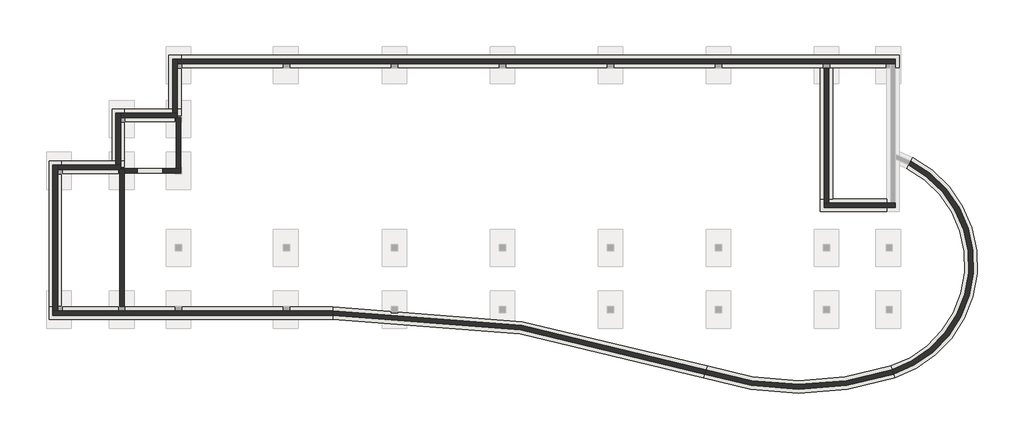
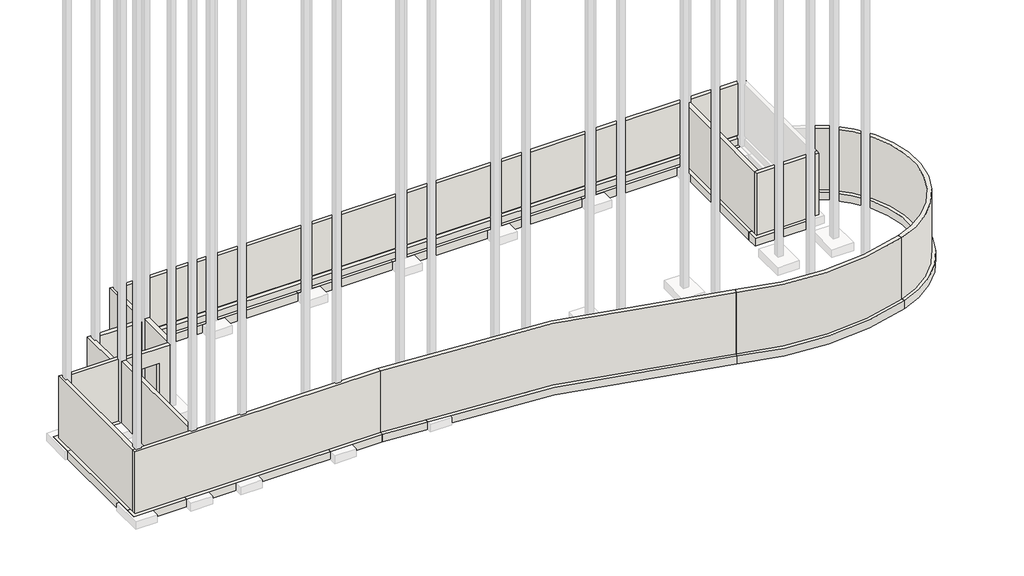
# One storey, part 1 of 2: 27 walls.
"""IFC4 building model written with IfcOpenShell, lengths in millimetres."""

from ifc_helpers import new_model, si_unit, point, frame, frame_2d, origin, place, context, project, spatial, polyline, circle_curve, trimmed, segment, composite_curve, outline, extrude, faceted_brep, element, save
from ifc_brep_helpers import plane_surface, cylinder_surface, revolved_surface, advanced_brep

model = new_model("IFC4")

# Units and contexts
model_context = context("Model", 3, world=origin())
ifc_project = project(units=[si_unit("LENGTHUNIT", "METRE", prefix="MILLI")], contexts=[model_context])

# Site, building, storey
site = spatial("IfcSite", under=ifc_project)
building = spatial("IfcBuilding", under=site)
storey = spatial("IfcBuildingStorey", under=building, Elevation=-3600.0)

# Walls
placement = place(None, origin())
element("IfcWall", 1, ObjectType="Foundation - 600mm Concrete", at=placement, inside=storey, context=model_context, shape_type="SweptSolid", body=[
    extrude(outline(composite_curve([segment(polyline([(17869.7687161, -6013.1846096), (17683.7577718, -5442.7458938)]), True, "CONTINUOUS"), segment(trimmed(circle_curve(frame_2d((16074.0395802, -487.5293406)), 5210.1212794), [point((17683.7577718, -5442.7458938))], [point((18465.7812889, 4141.1783997))], True, "CARTESIAN"), True, "CONTINUOUS"), segment(polyline([(18465.7812889, 4141.1783997), (18741.2153811, 4674.222545)]), True, "CONTINUOUS"), segment(trimmed(circle_curve(frame_2d((16074.0395802, -487.5293406)), 5810.1212794), [point((18741.2153811, 4674.222545))], [point((17869.7687161, -6013.1846096))], False, "CARTESIAN"), True, "CONTINUOUS")], self_intersect=False)), frame((0.0, 0.0, -4050.0), z_axis=(0.0, 0.0, 1.0), x_axis=(1.0, 0.0, 0.0)), (0.0, 0.0, 1.0), 450.0),
])
element("IfcWall", 2, ObjectType="Foundation - 600mm Concrete", at=placement, inside=storey, context=model_context, shape_type="SweptSolid", body=[
    extrude(outline(composite_curve([segment(polyline([(8601.367366, -6013.0871543), (8787.9790274, -5442.8450235)]), True, "CONTINUOUS"), segment(trimmed(circle_curve(frame_2d((13235.7169466, 8148.4146527)), 14300.5144027), [point((8787.9790274, -5442.8450235))], [point((17683.7577718, -5442.7458938))], True, "CARTESIAN"), True, "CONTINUOUS"), segment(polyline([(17683.7577718, -5442.7458938), (17869.7687161, -6013.1846096)]), True, "CONTINUOUS"), segment(trimmed(circle_curve(frame_2d((13235.7169466, 8148.4146527)), 14900.5144027), [point((17869.7687161, -6013.1846096))], [point((8601.367366, -6013.0871543))], False, "CARTESIAN"), True, "CONTINUOUS")], self_intersect=False)), frame((0.0, 0.0, -4050.0), z_axis=(0.0, 0.0, 1.0), x_axis=(1.0, 0.0, 0.0)), (0.0, 0.0, 1.0), 450.0),
])
element("IfcWall", 3, ObjectType="Foundation - 600mm Concrete", at=placement, inside=storey, context=model_context, shape_type="SweptSolid", body=[
    extrude(outline(composite_curve([segment(polyline([(-9356.7482974, -3179.7925922), (-9357.3682514, -2579.7925922)]), True, "CONTINUOUS"), segment(trimmed(circle_curve(frame_2d((-9237.4655397, -60751.8621473)), 58172.193125), [point((-9357.3682514, -2579.7925922))], [point((8787.630476, -5442.7311958))], False, "CARTESIAN"), True, "CONTINUOUS"), segment(polyline([(8787.630476, -5442.7311958), (8601.7159173, -6013.200982)]), True, "CONTINUOUS"), segment(trimmed(circle_curve(frame_2d((-9237.4655397, -60751.8621473)), 57572.193125), [point((8601.7159173, -6013.200982))], [point((-9356.7482974, -3179.7925922))], True, "CARTESIAN"), True, "CONTINUOUS")], self_intersect=False)), frame((0.0, 0.0, -4050.0), z_axis=(0.0, 0.0, 1.0), x_axis=(1.0, 0.0, 0.0)), (0.0, 0.0, 1.0), 450.0),
])
element("IfcWall", 4, ObjectType="Foundation - 600mm Concrete", at=placement, inside=storey, context=model_context, shape_type="Brep", body=[
    faceted_brep([(-9357.3682514, -2579.7925922, -4050.0), (-22494.6169643, -2579.7925922, -4050.0), (-23094.6169643, -2579.7925922, -4050.0), (-23094.6169643, -2579.7925922, -3600.0), (-22494.6169643, -2579.7925922, -3600.0), (-9357.3682514, -2579.7925922, -3600.0), (-9356.7482974, -3179.7925922, -4050.0), (-9356.7482974, -3179.7925922, -3600.0), (-23094.6169643, -3179.7925922, -3600.0), (-23094.6169643, -3179.7925922, -4050.0)], [[[0, 1, 2, 3, 4, 5]], [[6, 7, 8, 9]], [[2, 1, 0, 6, 9]], [[5, 4, 3, 8, 7]], [[3, 2, 9, 8]], [[0, 5, 7, 6]]]),
])
element("IfcWall", 5, ObjectType="Foundation - 600mm Concrete", at=placement, inside=storey, context=model_context, shape_type="Brep", body=[
    faceted_brep([(-22494.6169643, -2579.7925922, -4050.0), (-22494.6169643, 3903.6324078, -4050.0), (-22494.6169643, 4503.6324078, -4050.0), (-22494.6169643, 4503.6324078, -3600.0), (-22494.6169643, 3903.6324078, -3600.0), (-22494.6169643, -2579.7925922, -3600.0), (-23094.6169643, -2579.7925922, -4050.0), (-23094.6169643, -2579.7925922, -3600.0), (-23094.6169643, 4503.6324078, -3600.0), (-23094.6169643, 4503.6324078, -4050.0)], [[[0, 1, 2, 3, 4, 5]], [[6, 7, 8, 9]], [[2, 1, 0, 6, 9]], [[5, 4, 3, 8, 7]], [[3, 2, 9, 8]], [[0, 5, 7, 6]]]),
])
element("IfcWall", 6, ObjectType="Foundation - 600mm Concrete", at=placement, inside=storey, context=model_context, shape_type="Brep", body=[
    faceted_brep([(-22494.6169643, 3903.6324078, -4050.0), (-19446.6169643, 3903.6324078, -4050.0), (-19446.6169643, 3903.6324078, -3600.0), (-22494.6169643, 3903.6324078, -3600.0), (-22494.6169643, 4503.6324078, -4050.0), (-22494.6169643, 4503.6324078, -3600.0), (-20046.6169643, 4503.6324078, -3600.0), (-19446.6169643, 4503.6324078, -3600.0), (-19446.6169643, 4503.6324078, -4050.0), (-20046.6169643, 4503.6324078, -4050.0)], [[[0, 1, 2, 3]], [[4, 5, 6, 7, 8, 9]], [[1, 0, 4, 9, 8]], [[3, 2, 7, 6, 5]], [[2, 1, 8, 7]], [[0, 3, 5, 4]]]),
])
element("IfcWall", 7, ObjectType="Foundation - 600mm Concrete", at=placement, inside=storey, context=model_context, shape_type="Brep", body=[
    faceted_brep([(-19446.6169643, 4503.6324078, -4050.0), (-19446.6169643, 6418.2324078, -4050.0), (-19446.6169643, 7018.2324078, -4050.0), (-19446.6169643, 7018.2324078, -3600.0), (-19446.6169643, 6418.2324078, -3600.0), (-19446.6169643, 4503.6324078, -3600.0), (-20046.6169643, 4503.6324078, -4050.0), (-20046.6169643, 4503.6324078, -3600.0), (-20046.6169643, 7018.2324078, -3600.0), (-20046.6169643, 7018.2324078, -4050.0)], [[[0, 1, 2, 3, 4, 5]], [[6, 7, 8, 9]], [[2, 1, 0, 6, 9]], [[5, 4, 3, 8, 7]], [[3, 2, 9, 8]], [[0, 5, 7, 6]]]),
])
element("IfcWall", 8, ObjectType="Foundation - 600mm Concrete", at=placement, inside=storey, context=model_context, shape_type="Brep", body=[
    faceted_brep([(-19446.6169643, 6418.2324078, -4050.0), (-16703.4169643, 6418.2324078, -4050.0), (-16703.4169643, 6418.2324078, -3600.0), (-19446.6169643, 6418.2324078, -3600.0), (-19446.6169643, 7018.2324078, -4050.0), (-19446.6169643, 7018.2324078, -3600.0), (-17303.4169643, 7018.2324078, -3600.0), (-16703.4169643, 7018.2324078, -3600.0), (-16703.4169643, 7018.2324078, -4050.0), (-17303.4169643, 7018.2324078, -4050.0)], [[[0, 1, 2, 3]], [[4, 5, 6, 7, 8, 9]], [[1, 0, 4, 9, 8]], [[3, 2, 7, 6, 5]], [[2, 1, 8, 7]], [[0, 3, 5, 4]]]),
])
element("IfcWall", 9, ObjectType="Foundation - 600mm Concrete", at=placement, inside=storey, context=model_context, shape_type="Brep", body=[
    faceted_brep([(-16703.4169643, 7018.2324078, -4050.0), (-16703.4169643, 9034.4324078, -4050.0), (-16703.4169643, 9634.4324078, -4050.0), (-16703.4169643, 9634.4324078, -3600.0), (-16703.4169643, 9034.4324078, -3600.0), (-16703.4169643, 7018.2324078, -3600.0), (-17303.4169643, 7018.2324078, -4050.0), (-17303.4169643, 7018.2324078, -3600.0), (-17303.4169643, 9634.4324078, -3600.0), (-17303.4169643, 9634.4324078, -4050.0)], [[[0, 1, 2, 3, 4, 5]], [[6, 7, 8, 9]], [[2, 1, 0, 6, 9]], [[5, 4, 3, 8, 7]], [[3, 2, 9, 8]], [[0, 5, 7, 6]]]),
])
element("IfcWall", 10, ObjectType="Foundation - 600mm Concrete", at=placement, inside=storey, context=model_context, shape_type="Brep", body=[
    faceted_brep([(-16703.4169643, 9034.4324078, -4050.0), (17489.4606966, 9034.4324078, -4050.0), (18089.4606966, 9034.4324078, -4050.0), (18089.4606966, 9034.4324078, -3600.0), (17489.4606966, 9034.4324078, -3600.0), (-16703.4169643, 9034.4324078, -3600.0), (-16703.4169643, 9634.4324078, -4050.0), (-16703.4169643, 9634.4324078, -3600.0), (18089.4606966, 9634.4324078, -3600.0), (18089.4606966, 9634.4324078, -4050.0)], [[[0, 1, 2, 3, 4, 5]], [[6, 7, 8, 9]], [[2, 1, 0, 6, 9]], [[5, 4, 3, 8, 7]], [[3, 2, 9, 8]], [[0, 5, 7, 6]]]),
])
element("IfcWall", 11, ObjectType="Foundation - 600mm Concrete", at=placement, inside=storey, context=model_context, shape_type="Brep", body=[
    faceted_brep([(17489.4606966, 2662.1324078, -4050.0), (14867.1955357, 2662.1324078, -4050.0), (14267.1955357, 2662.1324078, -4050.0), (14267.1955357, 2662.1324078, -3600.0), (14867.1955357, 2662.1324078, -3600.0), (17489.4606966, 2662.1324078, -3600.0), (17489.4606966, 2062.1324078, -4050.0), (17489.4606966, 2062.1324078, -3600.0), (14267.1955357, 2062.1324078, -3600.0), (14267.1955357, 2062.1324078, -4050.0)], [[[0, 1, 2, 3, 4, 5]], [[6, 7, 8, 9]], [[2, 1, 0, 6, 9]], [[5, 4, 3, 8, 7]], [[3, 2, 9, 8]], [[0, 5, 7, 6]]]),
])
element("IfcWall", 12, ObjectType="Foundation - 600mm Concrete", at=placement, inside=storey, context=model_context, shape_type="SweptSolid", body=[
    extrude(outline(polyline([(14867.1955357, 9008.2199078), (14867.1955357, 2662.1324078), (14267.1955357, 2662.1324078), (14267.1955357, 9008.2199078), (14867.1955357, 9008.2199078)])), frame((0.0, 0.0, -4050.0), z_axis=(0.0, 0.0, 1.0), x_axis=(1.0, 0.0, 0.0)), (0.0, 0.0, 1.0), 450.0),
])
element("IfcWall", 13, ObjectType="Generic - 225mm Masonry", at=placement, inside=storey, context=model_context, shape_type="Brep", body=[
    faceted_brep([(-19457.9044643, -2553.5800922, -3600.0), (-19457.9044643, 3914.9199078, -3600.0), (-19457.9044643, 4091.1324078, -3600.0), (-19457.9044643, 4091.1324078, -300.0), (-19457.9044643, 4091.1324078, 0.0), (-19457.9044643, 3914.9199078, 0.0), (-19457.9044643, -2553.5800922, 0.0), (-19457.9044643, -2553.5800922, -2994.0), (-19457.9044643, 156.7351251, -2994.0), (-19457.9044643, 156.7351251, -3000.0), (-19457.9044643, -2553.5800922, -3000.0), (-19682.9044643, 4091.1324078, -3600.0), (-19682.9044643, -2553.5800922, -3600.0), (-19682.9044643, -2553.5800922, -3000.0), (-19682.9044643, 156.7351251, -3000.0), (-19682.9044643, 156.7351251, -2994.0), (-19682.9044643, -2553.5800922, -2994.0), (-19682.9044643, -2553.5800922, 0.0), (-19682.9044643, 4091.1324078, 0.0), (-19634.1169643, 4091.1324078, -3600.0)], [[[0, 1, 2, 3, 4, 5, 6, 7, 8, 9, 10]], [[11, 12, 13, 14, 15, 16, 17, 18]], [[2, 1, 0, 12, 11, 19]], [[6, 5, 4, 18, 17]], [[6, 17, 16, 7]], [[12, 0, 10, 13]], [[4, 3, 2, 19, 11, 18]], [[9, 14, 13, 10]], [[15, 8, 7, 16]], [[14, 9, 8, 15]]]),
])
element("IfcWall", 14, ObjectType="Generic - 225mm Masonry", at=placement, inside=storey, context=model_context, shape_type="Brep", body=[
    faceted_brep([(-19457.9044643, 3914.9199078, -3600.0), (-16714.7044643, 3914.9199078, -3600.0), (-16714.7044643, 3914.9199078, 0.0), (-19457.9044643, 3914.9199078, 0.0), (-19457.9044643, 3914.9199078, -300.0), (-17582.4544643, 3914.9199078, -3000.0), (-18815.1544643, 3914.9199078, -3000.0), (-18815.1544643, 3914.9199078, -874.6), (-17582.4544643, 3914.9199078, -874.6), (-19634.1169643, 4139.9199078, -3600.0), (-19634.1169643, 4139.9199078, -300.0), (-19457.9044643, 4139.9199078, -300.0), (-19457.9044643, 4139.9199078, 0.0), (-16939.7044643, 4139.9199078, 0.0), (-16714.7044643, 4139.9199078, 0.0), (-16714.7044643, 4139.9199078, -3600.0), (-16939.7044643, 4139.9199078, -3600.0), (-17582.4544643, 4139.9199078, -3000.0), (-17582.4544643, 4139.9199078, -874.6), (-18815.1544643, 4139.9199078, -874.6), (-18815.1544643, 4139.9199078, -3000.0), (-19457.9044643, 4091.1324078, -3600.0), (-19634.1169643, 4091.1324078, -3600.0), (-19457.9044643, 4091.1324078, 0.0), (-19457.9044643, 4091.1324078, -300.0), (-19634.1169643, 4091.1324078, -300.0)], [[[0, 1, 2, 3, 4], [5, 6, 7, 8]], [[9, 10, 11, 12, 13, 14, 15, 16], [17, 18, 19, 20]], [[1, 0, 21, 22, 9, 16, 15]], [[3, 2, 14, 13, 12, 23]], [[2, 1, 15, 14]], [[18, 17, 5, 8]], [[19, 18, 8, 7]], [[20, 19, 7, 6]], [[17, 20, 6, 5]], [[24, 11, 10, 25]], [[0, 4, 24, 21]], [[24, 25, 22, 21]], [[25, 10, 9, 22]], [[4, 3, 23, 12, 11, 24]]]),
])
element("IfcWall", 15, ObjectType="Generic - 225mm Masonry", at=placement, inside=storey, context=model_context, shape_type="Brep", body=[
    faceted_brep([(-16714.7044643, 4139.9199078, -3600.0), (-16714.7044643, 6605.7324078, -3600.0), (-16714.7044643, 6605.7324078, -300.0), (-16714.7044643, 6718.2324078, -300.0), (-16714.7044643, 6718.2324078, 0.0), (-16714.7044643, 4139.9199078, 0.0), (-16939.7044643, 4139.9199078, -3600.0), (-16939.7044643, 4139.9199078, 0.0), (-16939.7044643, 6718.2324078, 0.0), (-16939.7044643, 6718.2324078, -300.0), (-16939.7044643, 6605.7324078, -300.0), (-16939.7044643, 6605.7324078, -3600.0), (-16890.9169643, 6605.7324078, -3600.0), (-16890.9169643, 6718.2324078, 0.0), (-16890.9169643, 6718.2324078, -300.0), (-16890.9169643, 6605.7324078, -300.0)], [[[0, 1, 2, 3, 4, 5]], [[6, 7, 8, 9, 10, 11]], [[1, 0, 6, 11, 12]], [[5, 4, 13, 8, 7]], [[0, 5, 7, 6]], [[4, 3, 14, 9, 8, 13]], [[9, 14, 3, 2, 15, 10]], [[2, 1, 12, 11, 10, 15]]]),
])
element("IfcWall", 16, ObjectType="Generic - 225mm Masonry", at=placement, inside=storey, context=model_context, shape_type="Brep", body=[
    faceted_brep([(14454.6955357, 2249.6324078, -3600.0), (17901.9606966, 2249.6324078, -3600.0), (17901.9606966, 2249.6324078, 0.0), (14454.6955357, 2249.6324078, 0.0), (14454.6955357, 2474.6324078, -3600.0), (14454.6955357, 2474.6324078, 0.0), (14679.6955357, 2474.6324078, 0.0), (17676.9606966, 2474.6324078, 0.0), (17901.9606966, 2474.6324078, 0.0), (17901.9606966, 2474.6324078, -2994.0), (17901.9606966, 2474.6324078, -3225.0), (17901.9606966, 2474.6324078, -3600.0), (17676.9606966, 2474.6324078, -3600.0), (14679.6955357, 2474.6324078, -3600.0)], [[[0, 1, 2, 3]], [[4, 5, 6, 7, 8, 9, 10, 11, 12, 13]], [[1, 0, 4, 13, 12, 11]], [[3, 2, 8, 7, 6, 5]], [[0, 3, 5, 4]], [[2, 1, 11, 10, 9, 8]]]),
])
element("IfcWall", 17, ObjectType="Generic - 225mm Masonry", at=placement, inside=storey, context=model_context, shape_type="Brep", body=[
    faceted_brep([(14454.6955357, 9008.2199078, -3600.0), (14454.6955357, 2474.6324078, -3600.0), (14454.6955357, 2474.6324078, 0.0), (14454.6955357, 9008.2199078, 0.0), (14679.6955357, 2474.6324078, -3600.0), (14679.6955357, 9008.2199078, -3600.0), (14679.6955357, 9008.2199078, -3000.0), (14679.6955357, 9008.2199078, -2994.0), (14679.6955357, 9008.2199078, 0.0), (14679.6955357, 2474.6324078, 0.0), (14679.6955357, 2474.6324078, -2994.0), (14679.6955357, 2474.6324078, -3000.0)], [[[0, 1, 2, 3]], [[4, 5, 6, 7, 8, 9, 10, 11]], [[1, 0, 5, 4]], [[3, 2, 9, 8]], [[0, 3, 8, 7, 6, 5]], [[2, 1, 4, 11, 10, 9]]]),
])
element("IfcWall", 18, ObjectType="Generic - 225mm Masonry", at=placement, inside=storey, context=model_context, shape_type="Brep", body=[
    faceted_brep([(-9357.1748607, -2767.2925922, -3600.0), (-22682.1169643, -2767.2925922, -3600.0), (-22907.1169643, -2767.2925922, -3600.0), (-22907.1169643, -2767.2925922, 0.0), (-22682.1169643, -2767.2925922, 0.0), (-9357.1748607, -2767.2925922, 0.0), (-9357.1748607, -2767.2925922, -2994.0), (-9357.1748607, -2767.2925922, -3000.0), (-9357.1748607, -2767.2925922, -3225.0), (-22907.1169643, -2992.2925922, -3600.0), (-9356.9423786, -2992.2925922, -3600.0), (-9356.9423786, -2992.2925922, 0.0), (-22907.1169643, -2992.2925922, 0.0)], [[[0, 1, 2, 3, 4, 5, 6, 7, 8]], [[9, 10, 11, 12]], [[2, 1, 0, 10, 9]], [[5, 4, 3, 12, 11]], [[3, 2, 9, 12]], [[5, 11, 10, 0, 8, 7, 6]]]),
])
element("IfcWall", 19, ObjectType="Generic - 225mm Masonry", at=placement, inside=storey, context=model_context, shape_type="Brep", body=[
    faceted_brep([(-22682.1169643, -2767.2925922, -3600.0), (-22682.1169643, 4091.1324078, -3600.0), (-22682.1169643, 4316.1324078, -3600.0), (-22682.1169643, 4316.1324078, 0.0), (-22682.1169643, 4091.1324078, 0.0), (-22682.1169643, -2767.2925922, 0.0), (-22682.1169643, -2767.2925922, -2994.0), (-22682.1169643, -2767.2925922, -3000.0), (-22682.1169643, -2767.2925922, -3225.0), (-22907.1169643, -2767.2925922, -3600.0), (-22907.1169643, -2767.2925922, 0.0), (-22907.1169643, 4316.1324078, 0.0), (-22907.1169643, 4316.1324078, -3600.0)], [[[0, 1, 2, 3, 4, 5, 6, 7, 8]], [[9, 10, 11, 12]], [[2, 1, 0, 9, 12]], [[5, 4, 3, 11, 10]], [[3, 2, 12, 11]], [[0, 8, 7, 6, 5, 10, 9]]]),
])
element("IfcWall", 20, ObjectType="Generic - 225mm Masonry", at=placement, inside=storey, context=model_context, shape_type="Brep", body=[
    faceted_brep([(-22682.1169643, 4091.1324078, -3600.0), (-19682.9044643, 4091.1324078, -3600.0), (-19634.1169643, 4091.1324078, -3600.0), (-19634.1169643, 4091.1324078, -3225.0), (-19634.1169643, 4091.1324078, -3000.0), (-19634.1169643, 4091.1324078, -300.0), (-19457.9044643, 4091.1324078, -300.0), (-19457.9044643, 4091.1324078, 0.0), (-19682.9044643, 4091.1324078, 0.0), (-22682.1169643, 4091.1324078, 0.0), (-22682.1169643, 4091.1324078, -3000.0), (-22682.1169643, 4091.1324078, -3225.0), (-19634.1169643, 4316.1324078, -3600.0), (-19859.1169643, 4316.1324078, -3600.0), (-22682.1169643, 4316.1324078, -3600.0), (-22682.1169643, 4316.1324078, 0.0), (-19457.9044643, 4316.1324078, 0.0), (-19457.9044643, 4316.1324078, -300.0), (-19634.1169643, 4316.1324078, -300.0), (-19634.1169643, 4316.1324078, -3000.0), (-19634.1169643, 4316.1324078, -3225.0), (-19634.1169643, 4139.9199078, -3600.0), (-19457.9044643, 4139.9199078, 0.0), (-19634.1169643, 4139.9199078, -300.0), (-19457.9044643, 4139.9199078, -300.0)], [[[0, 1, 2, 3, 4, 5, 6, 7, 8, 9, 10, 11]], [[12, 13, 14, 15, 16, 17, 18, 19, 20]], [[2, 1, 0, 14, 13, 12, 21]], [[9, 8, 7, 22, 16, 15]], [[9, 15, 14, 0, 11, 10]], [[6, 5, 23, 18, 17, 24]], [[2, 21, 12, 20, 19, 18, 23, 5, 4, 3]], [[16, 22, 7, 6, 24, 17]]]),
])
element("IfcWall", 21, ObjectType="Generic - 225mm Masonry", at=placement, inside=storey, context=model_context, shape_type="Brep", body=[
    faceted_brep([(-19634.1169643, 4316.1324078, -3600.0), (-19634.1169643, 6605.7324078, -3600.0), (-19634.1169643, 6830.7324078, -3600.0), (-19634.1169643, 6830.7324078, -300.0), (-19634.1169643, 6605.7324078, -300.0), (-19634.1169643, 4316.1324078, -300.0), (-19634.1169643, 4316.1324078, -3000.0), (-19634.1169643, 4316.1324078, -3225.0), (-19859.1169643, 6830.7324078, -3600.0), (-19859.1169643, 4316.1324078, -3600.0), (-19859.1169643, 4316.1324078, -300.0), (-19859.1169643, 6830.7324078, -300.0)], [[[0, 1, 2, 3, 4, 5, 6, 7]], [[8, 9, 10, 11]], [[2, 1, 0, 9, 8]], [[5, 4, 3, 11, 10]], [[3, 2, 8, 11]], [[5, 10, 9, 0, 7, 6]]]),
])
element("IfcWall", 22, ObjectType="Generic - 225mm Masonry", at=placement, inside=storey, context=model_context, shape_type="Brep", body=[
    faceted_brep([(-19634.1169643, 6605.7324078, -3600.0), (-16939.7044643, 6605.7324078, -3600.0), (-16890.9169643, 6605.7324078, -3600.0), (-16890.9169643, 6605.7324078, -3225.0), (-16890.9169643, 6605.7324078, -3000.0), (-16890.9169643, 6605.7324078, -300.0), (-16939.7044643, 6605.7324078, -300.0), (-19634.1169643, 6605.7324078, -300.0), (-19634.1169643, 6605.7324078, -3000.0), (-19634.1169643, 6605.7324078, -3225.0), (-16890.9169643, 6830.7324078, -3600.0), (-17115.9169643, 6830.7324078, -3600.0), (-19634.1169643, 6830.7324078, -3600.0), (-19634.1169643, 6830.7324078, -300.0), (-17115.9169643, 6830.7324078, -300.0), (-16890.9169643, 6830.7324078, -300.0), (-16890.9169643, 6830.7324078, -3000.0), (-16890.9169643, 6830.7324078, -3225.0), (-16890.9169643, 6718.2324078, -300.0)], [[[0, 1, 2, 3, 4, 5, 6, 7, 8, 9]], [[10, 11, 12, 13, 14, 15, 16, 17]], [[2, 1, 0, 12, 11, 10]], [[7, 6, 5, 18, 15, 14, 13]], [[2, 10, 17, 16, 15, 18, 5, 4, 3]], [[7, 13, 12, 0, 9, 8]]]),
])
element("IfcWall", 23, ObjectType="Generic - 225mm Masonry", at=placement, inside=storey, context=model_context, shape_type="Brep", body=[
    faceted_brep([(-16890.9169643, 6830.7324078, -3600.0), (-16890.9169643, 9221.9324078, -3600.0), (-16890.9169643, 9446.9324078, -3600.0), (-16890.9169643, 9446.9324078, -3225.0), (-16890.9169643, 9446.9324078, -3000.0), (-16890.9169643, 9446.9324078, 0.0), (-16890.9169643, 9221.9324078, 0.0), (-16890.9169643, 6718.2324078, 0.0), (-16890.9169643, 6718.2324078, -300.0), (-16890.9169643, 6830.7324078, -300.0), (-16890.9169643, 6830.7324078, -3000.0), (-16890.9169643, 6830.7324078, -3225.0), (-17115.9169643, 9446.9324078, -3600.0), (-17115.9169643, 6830.7324078, -3600.0), (-17115.9169643, 6830.7324078, -300.0), (-17115.9169643, 6718.2324078, -300.0), (-17115.9169643, 6718.2324078, 0.0), (-17115.9169643, 9446.9324078, 0.0), (-16939.7044643, 6718.2324078, 0.0), (-16939.7044643, 6718.2324078, -300.0)], [[[0, 1, 2, 3, 4, 5, 6, 7, 8, 9, 10, 11]], [[12, 13, 14, 15, 16, 17]], [[2, 1, 0, 13, 12]], [[7, 6, 5, 17, 16, 18]], [[2, 12, 17, 5, 4, 3]], [[7, 18, 16, 15, 19, 8]], [[8, 19, 15, 14, 9]], [[13, 0, 11, 10, 9, 14]]]),
])
element("IfcWall", 24, ObjectType="Generic - 225mm Masonry", at=placement, inside=storey, context=model_context, shape_type="Brep", body=[
    faceted_brep([(-16890.9169643, 9221.9324078, -3600.0), (17676.9606966, 9221.9324078, -3600.0), (17901.9606966, 9221.9324078, -3600.0), (17901.9606966, 9221.9324078, -3225.0), (17676.9606966, 9221.9324078, -3225.0), (-16890.9169643, 9221.9324078, -3225.0), (17901.9606966, 9446.9324078, -3600.0), (-16890.9169643, 9446.9324078, -3600.0), (-16890.9169643, 9446.9324078, -3225.0), (17901.9606966, 9446.9324078, -3225.0)], [[[0, 1, 2, 3, 4, 5]], [[6, 7, 8, 9]], [[2, 1, 0, 7, 6]], [[2, 6, 9, 3]], [[7, 0, 5, 8]], [[5, 4, 3, 9, 8]]]),
    faceted_brep([(17901.9606966, 9221.9324078, 0.0), (17676.9606966, 9221.9324078, 0.0), (-16890.9169643, 9221.9324078, 0.0), (-16890.9169643, 9221.9324078, -3000.0), (14679.6955357, 9221.9324078, -3000.0), (17676.9606966, 9221.9324078, -3000.0), (17901.9606966, 9221.9324078, -3000.0), (-16890.9169643, 9446.9324078, 0.0), (17901.9606966, 9446.9324078, 0.0), (17901.9606966, 9446.9324078, -3000.0), (-16890.9169643, 9446.9324078, -3000.0)], [[[0, 1, 2, 3, 4, 5, 6]], [[7, 8, 9, 10]], [[2, 1, 0, 8, 7]], [[8, 0, 6, 9]], [[2, 7, 10, 3]], [[6, 5, 4, 3, 10, 9]]]),
])
element("IfcWall", 25, ObjectType="Generic - 225mm Masonry", at=placement, inside=storey, context=model_context, shape_type="AdvancedBrep", body=[
    advanced_brep(
    [(-9356.9423786, -2992.2925922, 0.0), (8659.8142169, -5834.9291738, 0.0), (8729.5321764, -5621.003004, 0.0), (-9357.1748607, -2767.2925922, 0.0), (8659.8142169, -5834.9291738, -3600.0), (-9356.9423786, -2992.2925922, -3600.0), (-9357.1748607, -2767.2925922, -3600.0), (8729.5321764, -5621.003004, -3600.0), (8729.5321764, -5621.003004, -3225.0), (8729.5321764, -5621.003004, -3000.0), (-9357.1748607, -2767.2925922, -3225.0), (-9357.1748607, -2767.2925922, -3000.0)],
    [
        (0, 1, circle_curve(frame((-9237.4655397, -60751.8621473, 0.0), z_axis=(0.0, 0.0, -1.0), x_axis=(0.30985759771634463, 0.9507829768866584, 0.0)), 57759.693125)),
        (1, 2),
        (2, 3, circle_curve(frame((-9237.4655397, -60751.8621473, 0.0), z_axis=(0.0, 0.0, 1.0), x_axis=(0.30985759771634463, 0.9507829768866584, 0.0)), 57984.693125)),
        (3, 0),
        (4, 5, circle_curve(frame((-9237.4655397, -60751.8621473, -3600.0), z_axis=(0.0, 0.0, 1.0), x_axis=(0.30985759771634463, 0.9507829768866584, 0.0)), 57759.693125)),
        (5, 6),
        (6, 7, circle_curve(frame((-9237.4655397, -60751.8621473, -3600.0), z_axis=(0.0, 0.0, -1.0), x_axis=(0.30985759771634463, 0.9507829768866584, 0.0)), 57984.693125)),
        (7, 4),
        (0, 5),
        (4, 1),
        (7, 8),
        (8, 9),
        (9, 2),
        (6, 10),
        (10, 11),
        (11, 3),
    ],
    [
        plane_surface(frame((8659.8142169, -5834.9291738, 0.0), z_axis=(0.0, 0.0, 1.0), x_axis=(0.9507829768866584, -0.30985759771634463, 0.0))),
        plane_surface(frame((8659.8142169, -5834.9291738, -3600.0), z_axis=(0.0, 0.0, -1.0), x_axis=(-0.9507829768866584, 0.30985759771634463, 0.0))),
        revolved_surface(polyline([(8659.814216845765, -5834.929173852652, -3600.0), (8659.814216845765, -5834.929173852652, 0.0)]), (-9237.4655397, -60751.8621473, -3600.0), (0.0, 0.0, -1.0)),
        plane_surface(frame((8659.8142169, -5834.9291738, 0.0), z_axis=(0.9507829768861671, -0.3098575977178523, 0.0), x_axis=(0.0, 0.0, -1.0))),
        cylinder_surface(frame((-9237.4655397, -60751.8621473, -3600.0), z_axis=(0.0, 0.0, 1.0), x_axis=(0.30985759771634463, 0.9507829768866584, 0.0)), 57984.693125),
        plane_surface(frame((-9357.1748607, -2767.2925922, -3600.0), z_axis=(-0.9999994661937756, -0.0010332531944501548, 0.0), x_axis=(0.0010332531944501548, -0.9999994661937756, 0.0))),
    ],
    [
        (0, [[1, 2, 3, 4]]),
        (1, [[5, 6, 7, 8]]),
        (2, [[-1, 9, -5, 10]]),
        (3, [[-2, -10, -8, 11, 12, 13]]),
        (4, [[-3, -13, -12, -11, -7, 14, 15, 16]]),
        (5, [[-4, -16, -15, -14, -6, -9]]),
    ],
),
])
element("IfcWall", 26, ObjectType="Generic - 225mm Masonry", at=placement, inside=storey, context=model_context, shape_type="AdvancedBrep", body=[
    advanced_brep(
    [(8659.6835101, -5834.8864884, 0.0), (17811.6381372, -5834.9232204, 0.0), (17741.8839716, -5621.0087222, 0.0), (8729.6628832, -5621.0456894, 0.0), (17811.6381372, -5834.9232204, -3600.0), (8659.6835101, -5834.8864884, -3600.0), (8729.6628832, -5621.0456894, -3600.0), (17741.8839716, -5621.0087222, -3600.0), (17741.8839716, -5621.0087222, -2994.0), (17741.8839716, -5621.0087222, -3000.0), (17741.8839716, -5621.0087222, -3225.0), (8729.6628832, -5621.0456894, -3225.0), (8729.6628832, -5621.0456894, -3000.0), (8729.6628832, -5621.0456894, -2994.0)],
    [
        (0, 1, circle_curve(frame((13235.7169466, 8148.4146527, 0.0), z_axis=(0.0, 0.0, 1.0), x_axis=(0.3110194356677193, -0.9504035514648151, 0.0)), 14713.0144027)),
        (1, 2),
        (2, 3, circle_curve(frame((13235.7169466, 8148.4146527, 0.0), z_axis=(0.0, 0.0, -1.0), x_axis=(0.3110194356677193, -0.9504035514648151, 0.0)), 14488.0144027)),
        (3, 0),
        (4, 5, circle_curve(frame((13235.7169466, 8148.4146527, -3600.0), z_axis=(0.0, 0.0, -1.0), x_axis=(0.3110194356677193, -0.9504035514648151, 0.0)), 14713.0144027)),
        (5, 6),
        (6, 7, circle_curve(frame((13235.7169466, 8148.4146527, -3600.0), z_axis=(0.0, 0.0, 1.0), x_axis=(0.3110194356677193, -0.9504035514648151, 0.0)), 14488.0144027)),
        (7, 4),
        (0, 5),
        (4, 1),
        (2, 8),
        (8, 9),
        (9, 10),
        (10, 7),
        (6, 11),
        (11, 12),
        (12, 13),
        (13, 3),
    ],
    [
        plane_surface(frame((17811.7503832, -5834.8864884, 0.0), z_axis=(0.0, 0.0, 1.0), x_axis=(0.9504035514648151, 0.3110194356677193, 0.0))),
        plane_surface(frame((17811.7503832, -5834.8864884, -3600.0), z_axis=(0.0, 0.0, -1.0), x_axis=(-0.9504035514648151, -0.3110194356677193, 0.0))),
        cylinder_surface(frame((13235.7169466, 8148.4146527, -3600.0), z_axis=(0.0, 0.0, 1.0), x_axis=(0.3110194356677193, -0.9504035514648151, 0.0)), 14713.0144027),
        revolved_surface(polyline([(17741.771010073542, -5621.0456892994725, -3600.0), (17741.771010073542, -5621.0456892994725, 0.0)]), (13235.7169466, 8148.4146527, -3600.0), (0.0, 0.0, -1.0)),
        plane_surface(frame((8729.6628832, -5621.0456894, 0.0), z_axis=(-0.9504035514651366, 0.311019435666737, 0.0), x_axis=(0.0, 0.0, -1.0))),
        plane_surface(frame((17811.6381372, -5834.9232204, -3600.0), z_axis=(0.9507305756662523, 0.31001834218851715, 0.0), x_axis=(-0.31001834218851715, 0.9507305756662523, 0.0))),
    ],
    [
        (0, [[1, 2, 3, 4]]),
        (1, [[5, 6, 7, 8]]),
        (2, [[-1, 9, -5, 10]]),
        (3, [[-3, 11, 12, 13, 14, -7, 15, 16, 17, 18]]),
        (4, [[-4, -18, -17, -16, -15, -6, -9]]),
        (5, [[-2, -10, -8, -14, -13, -12, -11]]),
    ],
),
])
element("IfcWall", 27, ObjectType="Generic - 225mm Masonry", at=placement, inside=storey, context=model_context, shape_type="AdvancedBrep", body=[
    advanced_brep(
    [(17811.6381372, -5834.9232204, 0.0), (18655.1422273, 4507.6462496, 0.0), (18551.8544427, 4307.7546951, 0.0), (17741.8839716, -5621.0087222, 0.0), (18655.1422273, 4507.6462496, -3600.0), (17811.6381372, -5834.9232204, -3600.0), (17741.8839716, -5621.0087222, -3600.0), (18551.8544427, 4307.7546951, -3600.0), (18551.8544427, 4307.7546951, -3225.0), (18551.8544427, 4307.7546951, -3000.0), (18551.8544427, 4307.7546951, -2994.0), (17741.8839716, -5621.0087222, -3225.0), (17741.8839716, -5621.0087222, -3000.0), (17741.8839716, -5621.0087222, -2994.0)],
    [
        (0, 1, circle_curve(frame((16074.0395802, -487.5293406, 0.0), z_axis=(0.0, 0.0, 1.0), x_axis=(0.4590568204432062, 0.8884069088005643, 0.0)), 5622.6212794)),
        (1, 2),
        (2, 3, circle_curve(frame((16074.0395802, -487.5293406, 0.0), z_axis=(0.0, 0.0, -1.0), x_axis=(0.4590568204432062, 0.8884069088005643, 0.0)), 5397.6212794)),
        (3, 0),
        (4, 5, circle_curve(frame((16074.0395802, -487.5293406, -3600.0), z_axis=(0.0, 0.0, -1.0), x_axis=(0.4590568204432062, 0.8884069088005643, 0.0)), 5622.6212794)),
        (5, 6),
        (6, 7, circle_curve(frame((16074.0395802, -487.5293406, -3600.0), z_axis=(0.0, 0.0, 1.0), x_axis=(0.4590568204432062, 0.8884069088005643, 0.0)), 5397.6212794)),
        (7, 4),
        (0, 5),
        (4, 1),
        (7, 8),
        (8, 9),
        (9, 10),
        (10, 2),
        (6, 11),
        (11, 12),
        (12, 13),
        (13, 3),
    ],
    [
        plane_surface(frame((18655.1422273, 4507.6462496, 0.0), z_axis=(0.0, 0.0, 1.0000000000000002), x_axis=(-0.8884069088005643, 0.4590568204432062, 0.0))),
        plane_surface(frame((18655.1422273, 4507.6462496, -3600.0), z_axis=(0.0, 0.0, -1.0000000000000002), x_axis=(0.8884069088005643, -0.4590568204432062, 0.0))),
        cylinder_surface(frame((16074.0395802, -487.5293406, -3600.0), z_axis=(0.0, 0.0, 1.0000000000000002), x_axis=(0.4590568204432062, 0.8884069088005643, 0.0)), 5622.6212794),
        plane_surface(frame((18655.1422273, 4507.6462496, 0.0), z_axis=(-0.8884069088004962, 0.4590568204433379, 0.0), x_axis=(0.0, 0.0, -1.0))),
        revolved_surface(polyline([(18551.854442677955, 4307.754695107901, -3600.0), (18551.854442677955, 4307.754695107901, 1.8189894035458565e-12)]), (16074.0395802, -487.5293406, -3600.0), (0.0, 0.0, -1.0000000000000002)),
        plane_surface(frame((17741.8839716, -5621.0087222, -3600.0), z_axis=(-0.9507305756681693, -0.3100183421826383, 0.0), x_axis=(0.3100183421826383, -0.9507305756681693, 0.0))),
    ],
    [
        (0, [[1, 2, 3, 4]]),
        (1, [[5, 6, 7, 8]]),
        (2, [[-1, 9, -5, 10]]),
        (3, [[-2, -10, -8, 11, 12, 13, 14]]),
        (4, [[-3, -14, -13, -12, -11, -7, 15, 16, 17, 18]]),
        (5, [[-4, -18, -17, -16, -15, -6, -9]]),
    ],
),
])

save(model, "model.ifc")
